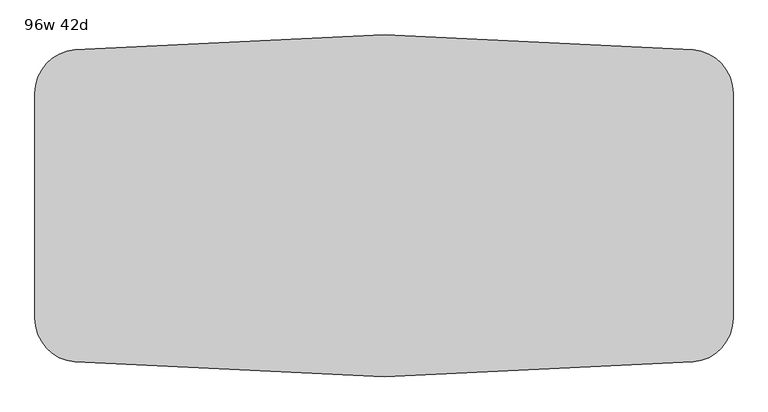
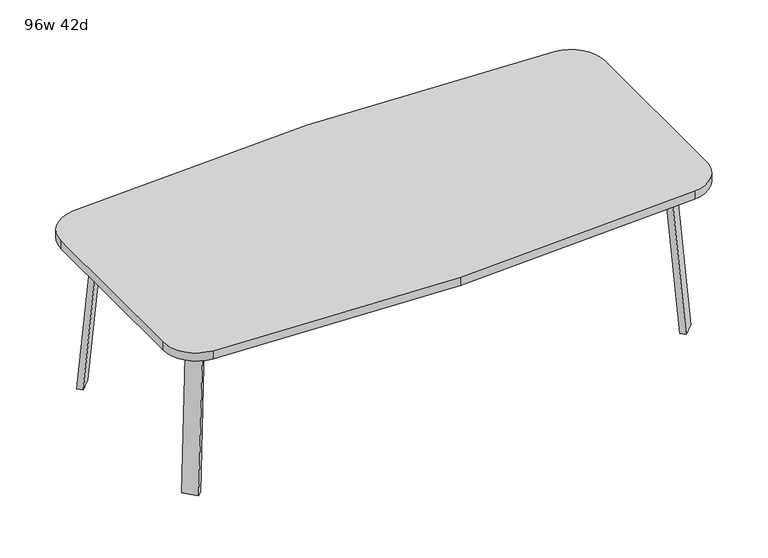
"""IFC4 building model written with IfcOpenShell, lengths in millimetres: furniture geometry, 96w 42d."""

from ifc_helpers import new_model, si_unit, point, frame, frame_2d, origin, place, context, project, spatial, polyline, circle_curve, trimmed, segment, composite_curve, outline, extrude, faceted_brep, source, transform, mapped, element, save


def furniture_96w_42d_78e8f597(model_context):
    return source(origin(), model_context, "Body", "SolidModel", [
        faceted_brep([(911.0753042, -350.2920519, 695.325), (950.5884312, -310.778925, 695.325), (1005.7047531, -365.8952469, 695.325), (999.0631053, -372.5368947, 695.325), (938.0160726, -377.2328203, 695.325), (1058.3368947, -313.2631053, 695.325), (1052.4020849, -319.1979151, 695.325), (997.285763, -264.0815931, 695.325), (1036.7988899, -224.5684662, 695.325), (1063.7396583, -251.5092346, 695.325), (911.0753042, -350.2920519, 698.5), (938.0160726, -377.2328203, 698.5), (999.0631053, -372.5368947, 698.5), (1058.3368947, -313.2631053, 698.5), (1063.7396583, -251.5092346, 698.5), (1036.7988899, -224.5684662, 698.5), (1005.7047531, -365.8952469, 673.1), (1052.4020849, -319.1979151, 673.1), (960.8034725, -320.9939663, 673.1), (1007.5008043, -274.2966345, 673.1)], [[[0, 1, 2, 3, 4]], [[5, 6, 7, 8, 9]], [[10, 11, 12, 13, 14, 15]], [[4, 11, 10, 0]], [[3, 12, 11, 4]], [[12, 3, 2, 16, 17, 6, 5, 13]], [[9, 14, 13, 5]], [[8, 15, 14, 9]], [[15, 8, 7, 1, 0, 10]], [[2, 1, 18, 16]], [[7, 6, 17, 19]], [[18, 19, 17, 16]], [[1, 7, 19, 18]]]),
        extrude(outline(composite_curve([segment(polyline([(-698.9257667, 0.0), (-704.4601563, 63.2583633), (-679.156811, 65.4721192), (-677.172355, 42.7896831)]), True, "CONTINUOUS"), segment(trimmed(circle_curve(frame_2d((-658.194846, 44.45)), 19.05), [point((-677.172355, 42.7896831))], [point((-658.194846, 25.4))], True, "CARTESIAN"), True, "CONTINUOUS"), segment(polyline([(-658.194846, 25.4), (0.0201778, 25.4), (2.2423899, 0.0), (-698.9257667, 0.0)]), True, "CONTINUOUS")], self_intersect=False)), frame((1091.9792647, -455.5706733, 2.2338569), z_axis=(0.7071067811865512, 0.707106781186544, 0.0), x_axis=(0.06162841671622733, -0.06162841671621349, -0.9961946980917454)), (0.0, 0.0, 1.0), 69.85),
        faceted_brep([(911.0753042, 350.2920519, 695.325), (938.0160726, 377.2328203, 695.325), (999.0631053, 372.5368947, 695.325), (1005.7047531, 365.8952469, 695.325), (950.5884312, 310.778925, 695.325), (1058.3368947, 313.2631053, 695.325), (1063.7396583, 251.5092346, 695.325), (1036.7988899, 224.5684662, 695.325), (997.285763, 264.0815931, 695.325), (1052.4020849, 319.1979151, 695.325), (911.0753042, 350.2920519, 698.5), (1036.7988899, 224.5684662, 698.5), (1063.7396583, 251.5092346, 698.5), (1058.3368947, 313.2631053, 698.5), (999.0631053, 372.5368947, 698.5), (938.0160726, 377.2328203, 698.5), (1052.4020849, 319.1979151, 673.1), (1005.7047531, 365.8952469, 673.1), (960.8034725, 320.9939663, 673.1), (1007.5008043, 274.2966345, 673.1)], [[[0, 1, 2, 3, 4]], [[5, 6, 7, 8, 9]], [[10, 11, 12, 13, 14, 15]], [[1, 0, 10, 15]], [[2, 1, 15, 14]], [[14, 13, 5, 9, 16, 17, 3, 2]], [[6, 5, 13, 12]], [[7, 6, 12, 11]], [[11, 10, 0, 4, 8, 7]], [[3, 17, 18, 4]], [[8, 19, 16, 9]], [[18, 17, 16, 19]], [[4, 18, 19, 8]]]),
        extrude(outline(composite_curve([segment(polyline([(698.9257667, 0.0), (704.4601563, -63.2583633), (679.156811, -65.4721192), (677.172355, -42.7896831)]), True, "CONTINUOUS"), segment(trimmed(circle_curve(frame_2d((658.194846, -44.45)), 19.05), [point((677.172355, -42.7896831))], [point((658.194846, -25.4))], True, "CARTESIAN"), True, "CONTINUOUS"), segment(polyline([(658.194846, -25.4), (-0.0201778, -25.4), (-2.2423899, 0.0), (698.9257667, 0.0)]), True, "CONTINUOUS")], self_intersect=False)), frame((1141.3706733, 406.1792647, 2.2338569), z_axis=(-0.7071067811865512, 0.707106781186544, 0.0), x_axis=(-0.06162841671622733, -0.06162841671621349, 0.9961946980917454)), (0.0, 0.0, 1.0), 69.85),
        faceted_brep([(-911.0753042, 350.2920519, 695.325), (-950.5884312, 310.778925, 695.325), (-1005.7047531, 365.8952469, 695.325), (-999.0631053, 372.5368947, 695.325), (-938.0160726, 377.2328203, 695.325), (-1058.3368947, 313.2631053, 695.325), (-1052.4020849, 319.1979151, 695.325), (-997.285763, 264.0815931, 695.325), (-1036.7988899, 224.5684662, 695.325), (-1063.7396583, 251.5092346, 695.325), (-911.0753042, 350.2920519, 698.5), (-938.0160726, 377.2328203, 698.5), (-999.0631053, 372.5368947, 698.5), (-1058.3368947, 313.2631053, 698.5), (-1063.7396583, 251.5092346, 698.5), (-1036.7988899, 224.5684662, 698.5), (-1005.7047531, 365.8952469, 673.1), (-1052.4020849, 319.1979151, 673.1), (-960.8034725, 320.9939663, 673.1), (-1007.5008043, 274.2966345, 673.1)], [[[0, 1, 2, 3, 4]], [[5, 6, 7, 8, 9]], [[10, 11, 12, 13, 14, 15]], [[4, 11, 10, 0]], [[3, 12, 11, 4]], [[12, 3, 2, 16, 17, 6, 5, 13]], [[9, 14, 13, 5]], [[8, 15, 14, 9]], [[15, 8, 7, 1, 0, 10]], [[2, 1, 18, 16]], [[7, 6, 17, 19]], [[18, 19, 17, 16]], [[1, 7, 19, 18]]]),
        extrude(outline(composite_curve([segment(polyline([(698.9257667, 0.0), (-2.2423899, 0.0), (-0.0201778, 25.4), (658.194846, 25.4)]), True, "CONTINUOUS"), segment(trimmed(circle_curve(frame_2d((658.194846, 44.45)), 19.05), [point((658.194846, 25.4))], [point((677.172355, 42.7896831))], True, "CARTESIAN"), True, "CONTINUOUS"), segment(polyline([(677.172355, 42.7896831), (679.156811, 65.4721192), (704.4601563, 63.2583633), (698.9257667, 0.0)]), True, "CONTINUOUS")], self_intersect=False)), frame((-1141.3706733, 406.1792647, 2.2338569), z_axis=(0.7071067811865512, 0.707106781186544, 0.0), x_axis=(0.06162841671622733, -0.06162841671621349, 0.9961946980917454)), (0.0, 0.0, 1.0), 69.85),
        faceted_brep([(-911.0753042, -350.2920519, 695.325), (-938.0160726, -377.2328203, 695.325), (-999.0631053, -372.5368947, 695.325), (-1005.7047531, -365.8952469, 695.325), (-950.5884312, -310.778925, 695.325), (-1058.3368947, -313.2631053, 695.325), (-1063.7396583, -251.5092346, 695.325), (-1036.7988899, -224.5684662, 695.325), (-997.285763, -264.0815931, 695.325), (-1052.4020849, -319.1979151, 695.325), (-911.0753042, -350.2920519, 698.5), (-1036.7988899, -224.5684662, 698.5), (-1063.7396583, -251.5092346, 698.5), (-1058.3368947, -313.2631053, 698.5), (-999.0631053, -372.5368947, 698.5), (-938.0160726, -377.2328203, 698.5), (-1052.4020849, -319.1979151, 673.1), (-1005.7047531, -365.8952469, 673.1), (-960.8034725, -320.9939663, 673.1), (-1007.5008043, -274.2966345, 673.1)], [[[0, 1, 2, 3, 4]], [[5, 6, 7, 8, 9]], [[10, 11, 12, 13, 14, 15]], [[1, 0, 10, 15]], [[2, 1, 15, 14]], [[14, 13, 5, 9, 16, 17, 3, 2]], [[6, 5, 13, 12]], [[7, 6, 12, 11]], [[11, 10, 0, 4, 8, 7]], [[3, 17, 18, 4]], [[8, 19, 16, 9]], [[18, 17, 16, 19]], [[4, 18, 19, 8]]]),
        extrude(outline(composite_curve([segment(polyline([(-698.9257667, 0.0), (2.2423899, 0.0), (0.0201778, -25.4), (-658.194846, -25.4)]), True, "CONTINUOUS"), segment(trimmed(circle_curve(frame_2d((-658.194846, -44.45)), 19.05), [point((-658.194846, -25.4))], [point((-677.172355, -42.7896831))], True, "CARTESIAN"), True, "CONTINUOUS"), segment(polyline([(-677.172355, -42.7896831), (-679.156811, -65.4721192), (-704.4601563, -63.2583633), (-698.9257667, 0.0)]), True, "CONTINUOUS")], self_intersect=False)), frame((-1091.9792647, -455.5706733, 2.2338569), z_axis=(-0.7071067811865512, 0.707106781186544, 0.0), x_axis=(-0.06162841671622733, -0.06162841671621349, -0.9961946980917454)), (0.0, 0.0, 1.0), 69.85),
        extrude(outline(composite_curve([segment(trimmed(circle_curve(frame_2d((-1066.8, 393.1717488)), 152.4), [point((-1219.2, 393.1717488))], [point((-1079.4561311, 545.0453224))], False, "CARTESIAN"), True, "CONTINUOUS"), segment(polyline([(-1079.4561311, 545.0453224), (0.0, 596.9), (1079.4561311, 545.0453224)]), True, "CONTINUOUS"), segment(trimmed(circle_curve(frame_2d((1066.8, 393.1717488)), 152.4), [point((1079.4561311, 545.0453224))], [point((1219.2, 393.1717488))], False, "CARTESIAN"), True, "CONTINUOUS"), segment(polyline([(1219.2, 393.1717488), (1219.2, -393.1717488)]), True, "CONTINUOUS"), segment(trimmed(circle_curve(frame_2d((1066.8, -393.1717488)), 152.4), [point((1219.2, -393.1717488))], [point((1079.4561311, -545.0453224))], False, "CARTESIAN"), True, "CONTINUOUS"), segment(polyline([(1079.4561311, -545.0453224), (0.0, -596.9), (-1079.4561311, -545.0453224)]), True, "CONTINUOUS"), segment(trimmed(circle_curve(frame_2d((-1066.8, -393.1717488)), 152.4), [point((-1079.4561311, -545.0453224))], [point((-1219.2, -393.1717488))], False, "CARTESIAN"), True, "CONTINUOUS"), segment(polyline([(-1219.2, -393.1717488), (-1219.2, 393.1717488)]), True, "CONTINUOUS")], self_intersect=False)), frame((0.0, 0.0, 698.5), z_axis=(0.0, 0.0, 1.0), x_axis=(1.0, 0.0, 0.0)), (0.0, 0.0, 1.0), 38.1),
    ])


if __name__ == "__main__":
    model = new_model("IFC4")
    model_context = context("Model", 3, world=origin())
    ifc_project = project(units=[si_unit("LENGTHUNIT", "METRE", prefix="MILLI")], contexts=[model_context])
    site = spatial("IfcSite", under=ifc_project)
    building = spatial("IfcBuilding", under=site)
    placement = place(None, origin())
    furniture_96w_42d_shape = furniture_96w_42d_78e8f597(model_context)
    element("IfcFurniture", 1, ObjectType="96w 42d", at=placement, inside=building, context=model_context, shape_type="MappedRepresentation", body=[
        mapped(furniture_96w_42d_shape, transform((0.0, 0.0, 0.0), x_axis=(1.0, 0.0, 0.0), y_axis=(0.0, 1.0, 0.0), z_axis=(0.0, 0.0, 1.0))),
    ])
    save(model, "model.ifc")
